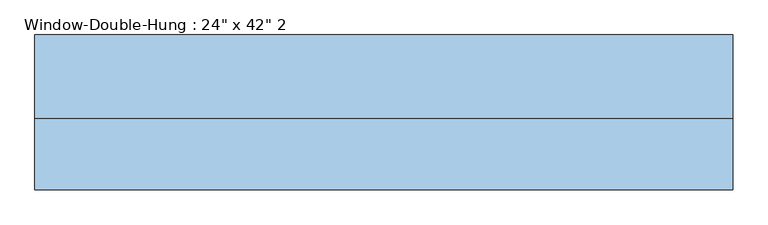
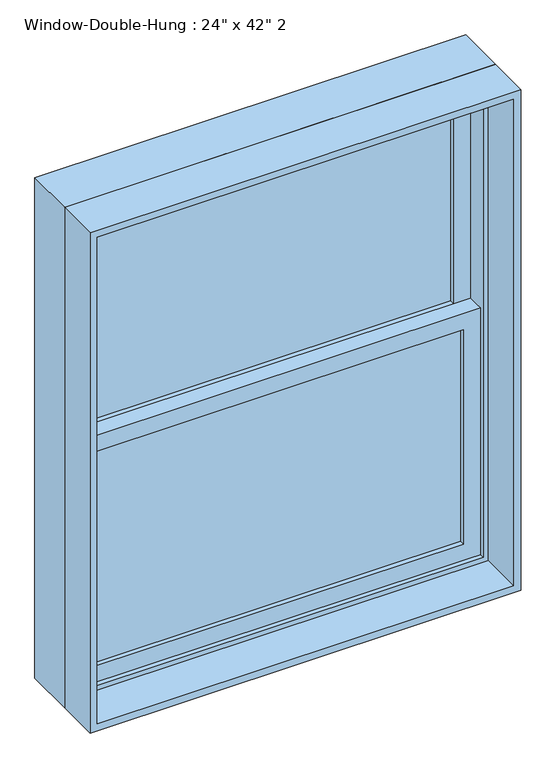
"""IFC4 building model written with IfcOpenShell, lengths in millimetres: window geometry."""

from ifc_helpers import new_model, si_unit, frame, origin, place, context, project, spatial, polyline, outline, extrude, source, transform, mapped, element, save


def window_4bde72cb(model_context):
    return source(origin(), model_context, "Body", "SweptSolid", [
        extrude(outline(polyline([(482.6, 44.45), (482.6, 38.1), (-482.6, 38.1), (-482.6, 44.45), (482.6, 44.45)])), frame((0.0, 0.0, 990.6), z_axis=(0.0, 0.0, 1.0), x_axis=(1.0, 0.0, 0.0)), (0.0, 0.0, 1.0), 587.375),
        extrude(outline(polyline([(-482.6, 31.75), (482.6, 31.75), (482.6, 25.4), (-482.6, 25.4), (-482.6, 31.75)])), frame((0.0, 0.0, 990.6), z_axis=(0.0, 0.0, 1.0), x_axis=(1.0, 0.0, 0.0)), (0.0, 0.0, 1.0), 587.375),
        extrude(outline(polyline([(482.6, 88.9), (482.6, 82.55), (-482.6, 82.55), (-482.6, 88.9), (482.6, 88.9)])), frame((0.0, 0.0, 1622.425), z_axis=(0.0, 0.0, 1.0), x_axis=(1.0, 0.0, 0.0)), (0.0, 0.0, 1.0), 587.375),
        extrude(outline(polyline([(-482.6, 76.2), (482.6, 76.2), (482.6, 69.85), (-482.6, 69.85), (-482.6, 76.2)])), frame((0.0, 0.0, 1622.425), z_axis=(0.0, 0.0, 1.0), x_axis=(1.0, 0.0, 0.0)), (0.0, 0.0, 1.0), 587.375),
        extrude(outline(polyline([(1622.425, -527.05), (946.15, -527.05), (946.15, 527.05), (1622.425, 527.05), (1622.425, -527.05)]), holes=[polyline([(1577.975, 482.6), (990.6, 482.6), (990.6, -482.6), (1577.975, -482.6), (1577.975, 482.6)])]), frame((0.0, 12.7, 0.0), z_axis=(0.0, 1.0, 0.0), x_axis=(0.0, 0.0, 1.0)), (0.0, 0.0, 1.0), 44.45),
        extrude(outline(polyline([(2254.25, -527.05), (1577.975, -527.05), (1577.975, 527.05), (2254.25, 527.05), (2254.25, -527.05)]), holes=[polyline([(2209.8, 482.6), (1622.425, 482.6), (1622.425, -482.6), (2209.8, -482.6), (2209.8, 482.6)])]), frame((0.0, 57.15, 0.0), z_axis=(0.0, 1.0, 0.0), x_axis=(0.0, 0.0, 1.0)), (0.0, 0.0, 1.0), 44.45),
        extrude(outline(polyline([(2286.0, -558.8), (914.4, -558.8), (914.4, 558.8), (2286.0, 558.8), (2286.0, -558.8)]), holes=[polyline([(2254.25, 527.05), (946.15, 527.05), (946.15, -527.05), (2254.25, -527.05), (2254.25, 527.05)])]), frame((0.0, 0.0, 0.0), z_axis=(0.0, 1.0, 0.0), x_axis=(0.0, 0.0, 1.0)), (0.0, 0.0, 1.0), 133.35),
        extrude(outline(polyline([(2286.0, 558.8), (2286.0, -558.8), (914.4, -558.8), (914.4, 558.8), (2286.0, 558.8)]), holes=[polyline([(2266.95, 539.75), (933.45, 539.75), (933.45, -539.75), (2266.95, -539.75), (2266.95, 539.75)])]), frame((0.0, -114.3, 0.0), z_axis=(0.0, 1.0, 0.0), x_axis=(0.0, 0.0, 1.0)), (0.0, 0.0, 1.0), 114.3),
    ])


if __name__ == "__main__":
    model = new_model("IFC4")
    model_context = context("Model", 3, world=origin())
    ifc_project = project(units=[si_unit("LENGTHUNIT", "METRE", prefix="MILLI")], contexts=[model_context])
    site = spatial("IfcSite", under=ifc_project)
    building = spatial("IfcBuilding", under=site)
    placement = place(None, origin())
    window_shape = window_4bde72cb(model_context)
    element("IfcWindow", 1, ObjectType="Window-Double-Hung : 24\" x 42\" 2", at=placement, inside=building, context=model_context, shape_type="MappedRepresentation", body=[
        mapped(window_shape, transform((0.0, 0.0, 0.0), x_axis=(1.0, 0.0, 0.0), y_axis=(0.0, 1.0, 0.0), z_axis=(0.0, 0.0, 1.0))),
    ])
    save(model, "model.ifc")
